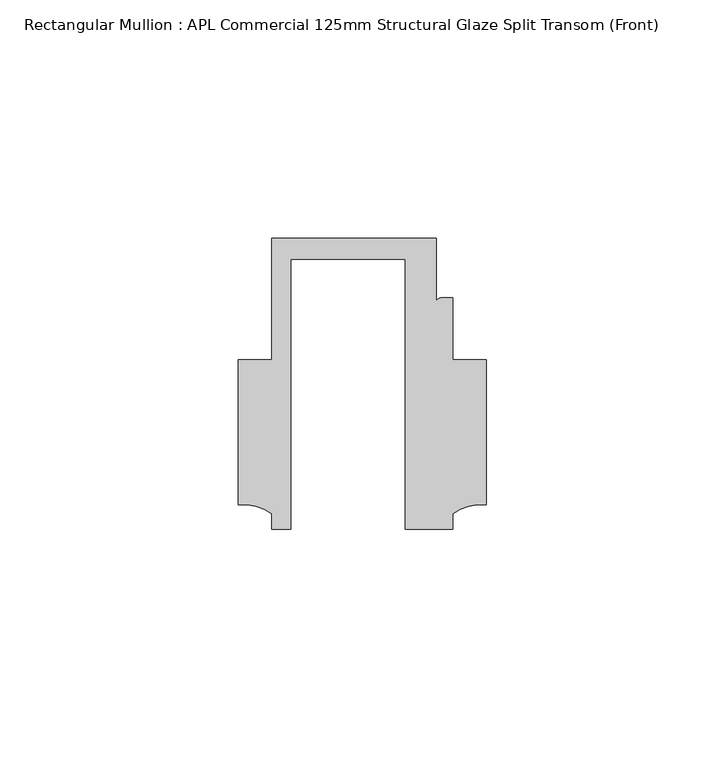
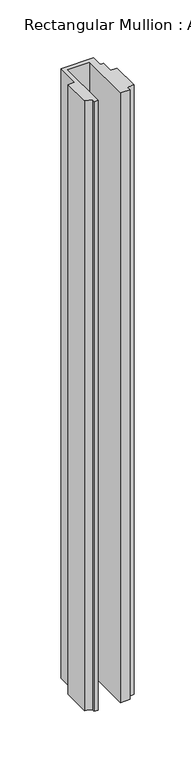
"""IFC4 building model written with IfcOpenShell, lengths in millimetres: member geometry, Rectangular Mullion : APL Commercial 125mm Structural Glaze Split Transom (Front)."""

from ifc_helpers import new_model, si_unit, point, frame, frame_2d, origin, place, context, project, spatial, polyline, circle_curve, trimmed, segment, composite_curve, outline, extrude, source, transform, mapped, element, save


def rectangular_mullion_apl_commercial_125mm_structural_glaze_02cab510(model_context):
    return source(origin(), model_context, "Body", "SweptSolid", [
        extrude(outline(composite_curve([segment(polyline([(-24.0309529, -20.5), (-28.0000482, -20.5), (-28.0000482, -17.3123419)]), True, "CONTINUOUS"), segment(trimmed(circle_curve(frame_2d((-34.10985, -25.7980019)), 10.4563907), [point((-28.0000482, -17.3123419))], [point((-34.9999873, -15.3795682))], True, "CARTESIAN"), True, "CONTINUOUS"), segment(polyline([(-34.9999873, -15.3795682), (-34.9999873, 15.001276), (-28.0000482, 15.001276), (-28.0000482, 40.499932), (6.5000029, 40.499932), (6.5000029, 27.0002131)]), True, "CONTINUOUS"), segment(trimmed(circle_curve(frame_2d((7.5000029, 27.0002131)), 1.0), [point((6.5000029, 27.0002131))], [point((7.5000029, 28.0002131))], False, "CARTESIAN"), True, "CONTINUOUS"), segment(polyline([(7.5000029, 28.0002131), (10.0000029, 28.0002131), (10.0000029, 15.0004617), (16.999942, 15.0004617), (16.999942, -15.3793686)]), True, "CONTINUOUS"), segment(trimmed(circle_curve(frame_2d((16.1098048, -25.7978024)), 10.4563907), [point((16.999942, -15.3793686))], [point((10.0000029, -17.3121423))], True, "CARTESIAN"), True, "CONTINUOUS"), segment(polyline([(10.0000029, -17.3121423), (10.0000029, -20.5), (0.0, -20.5), (0.0, 36.1008577), (-24.0309529, 36.1008577), (-24.0309529, -20.5)]), True, "CONTINUOUS")], self_intersect=False)), frame((0.0, 0.0, -683.0116009), z_axis=(0.0, 0.0, 1.0), x_axis=(1.0, 0.0, 0.0)), (0.0, 0.0, 1.0), 683.0116009),
    ])


if __name__ == "__main__":
    model = new_model("IFC4")
    model_context = context("Model", 3, world=origin())
    ifc_project = project(units=[si_unit("LENGTHUNIT", "METRE", prefix="MILLI")], contexts=[model_context])
    site = spatial("IfcSite", under=ifc_project)
    building = spatial("IfcBuilding", under=site)
    placement = place(None, origin())
    rectangular_mullion_apl_commercial_125mm_structural_glaze_shape = rectangular_mullion_apl_commercial_125mm_structural_glaze_02cab510(model_context)
    element("IfcMember", 1, ObjectType="Rectangular Mullion : APL Commercial 125mm Structural Glaze Split Transom (Front)", at=placement, inside=building, context=model_context, shape_type="MappedRepresentation", body=[
        mapped(rectangular_mullion_apl_commercial_125mm_structural_glaze_shape, transform((0.0, 0.0, 0.0), x_axis=(1.0, 0.0, 0.0), y_axis=(0.0, 1.0, 0.0), z_axis=(0.0, 0.0, 1.0))),
    ])
    save(model, "model.ifc")
